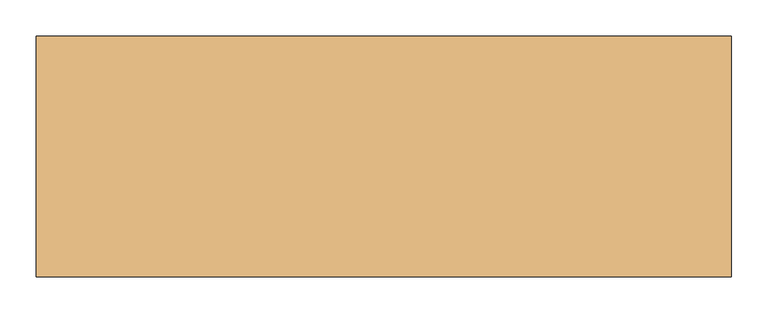
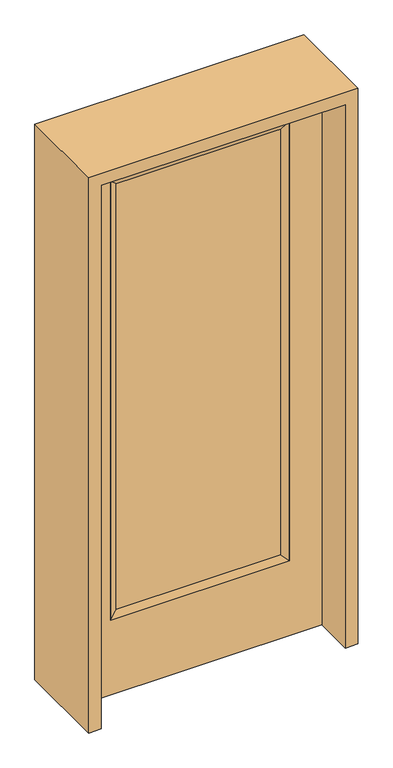
"""IFC4 building model written with IfcOpenShell, lengths in millimetres: door geometry."""

from ifc_helpers import new_model, si_unit, frame, origin, place, context, project, spatial, polyline, outline, extrude, faceted_brep, source, transform, mapped, element, save


def door_8bbbe704(model_context):
    return source(origin(), model_context, "Body", "SolidModel", [
        extrude(outline(polyline([(290.9824, -12.7039749), (-290.9824, -12.7039749), (-290.9824, 14.2875), (290.9824, 14.2875), (290.9824, -12.7039749)])), frame((0.0, 0.0, 304.8), z_axis=(0.0, 0.0, 1.0), x_axis=(1.0, 0.0, 0.0)), (0.0, 0.0, 1.0), 1591.1576),
        faceted_brep([(290.9824, 14.2875, 1895.9576), (316.3824, 22.225, 1921.3576), (316.3824, 22.225, 279.4), (290.9824, 14.2875, 304.8), (316.3824, -22.225, 1921.3576), (316.3824, -22.225, 279.4), (-316.3824, 22.225, 279.4), (-290.9824, 14.2875, 304.8), (290.9824, -12.7039749, 1895.9576), (290.9824, -12.7039749, 304.8), (-290.9824, -12.7039749, 304.8), (-316.3824, -22.225, 279.4), (-316.3824, 22.225, 1921.3576), (-290.9824, 14.2875, 1895.9576), (-290.9824, -12.7039749, 1895.9576), (-316.3824, -22.225, 1921.3576)], [[[0, 1, 2, 3]], [[1, 4, 5, 2]], [[3, 2, 6, 7]], [[8, 0, 3, 9]], [[9, 3, 7, 10]], [[4, 8, 9, 5]], [[5, 9, 10, 11]], [[2, 5, 11, 6]], [[7, 6, 12, 13]], [[10, 7, 13, 14]], [[11, 10, 14, 15]], [[6, 11, 15, 12]], [[13, 12, 1, 0]], [[14, 13, 0, 8]], [[15, 14, 8, 4]], [[12, 15, 4, 1]]]),
        extrude(outline(polyline([(0.0, -431.8), (0.0, 431.8), (2032.0, 431.8), (2032.0, -431.8), (0.0, -431.8)]), holes=[polyline([(279.4, -316.3824), (1921.3576, -316.3824), (1921.3576, 316.3824), (279.4, 316.3824), (279.4, -316.3824)])]), frame((0.0, -22.225, 0.0), z_axis=(0.0, 1.0, 0.0), x_axis=(0.0, 0.0, 1.0)), (0.0, 0.0, 1.0), 44.45),
        extrude(outline(polyline([(2076.45, -476.25), (0.0, -476.25), (0.0, -431.8), (2032.0, -431.8), (2032.0, 431.8), (0.0, 431.8), (0.0, 476.25), (2076.45, 476.25), (2076.45, -476.25)])), frame((0.0, -165.1, 0.0), z_axis=(0.0, 1.0, 0.0), x_axis=(0.0, 0.0, 1.0)), (0.0, 0.0, 1.0), 330.2),
    ])


if __name__ == "__main__":
    model = new_model("IFC4")
    model_context = context("Model", 3, world=origin())
    ifc_project = project(units=[si_unit("LENGTHUNIT", "METRE", prefix="MILLI")], contexts=[model_context])
    site = spatial("IfcSite", under=ifc_project)
    building = spatial("IfcBuilding", under=site)
    placement = place(None, origin())
    door_shape = door_8bbbe704(model_context)
    element("IfcDoor", 1, at=placement, inside=building, context=model_context, shape_type="MappedRepresentation", body=[
        mapped(door_shape, transform((0.0, 0.0, 0.0), x_axis=(1.0, 0.0, 0.0), y_axis=(0.0, 1.0, 0.0), z_axis=(0.0, 0.0, 1.0))),
    ])
    save(model, "model.ifc")
